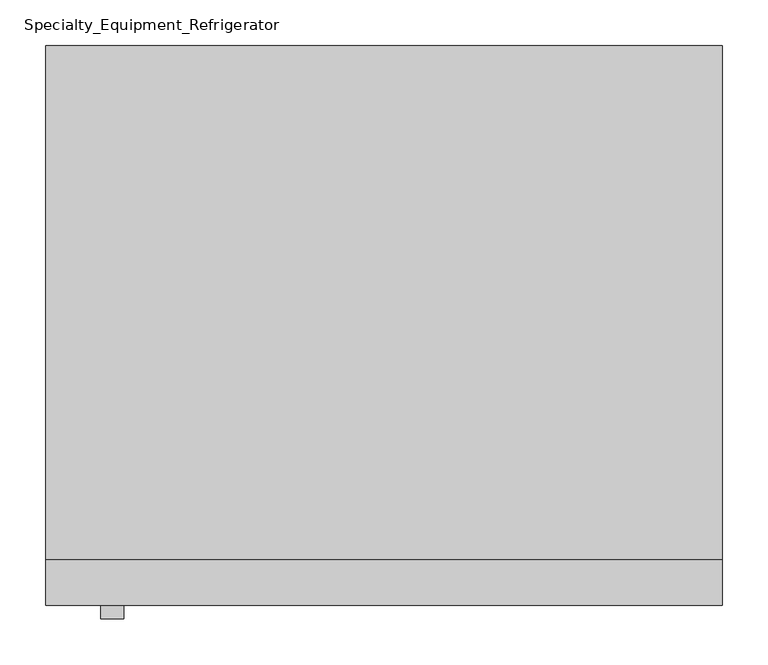
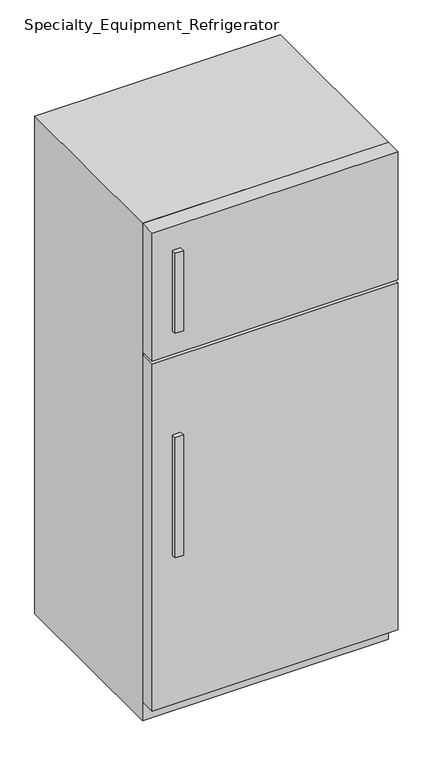
"""IFC4 building model written with IfcOpenShell, lengths in millimetres: proxy geometry, Specialty_Equipment_Refrigerator."""

from ifc_helpers import new_model, si_unit, frame, origin, origin_with_axes, place, context, project, spatial, polyline, outline, extrude, source, transform, mapped, element, save


def specialty_equipment_refrigerator_aa224931(model_context):
    return source(origin(), model_context, "Body", "SweptSolid", [
        extrude(outline(polyline([(736.6, 762.0), (736.6, 202.4), (0.0, 202.4), (0.0, 762.0), (736.6, 762.0)])), origin_with_axes(), (0.0, 0.0, 1.0), 1574.8),
        extrude(outline(polyline([(736.6, 152.4), (0.0, 152.4), (0.0, 202.4), (736.6, 202.4), (736.6, 152.4)])), frame((0.0, 0.0, 1168.8), z_axis=(0.0, 0.0, 1.0), x_axis=(1.0, 0.0, 0.0)), (0.0, 0.0, 1.0), 406.0),
        extrude(outline(polyline([(736.6, 152.4), (0.0, 152.4), (0.0, 202.4), (736.6, 202.4), (736.6, 152.4)])), frame((0.0, 0.0, 60.0), z_axis=(0.0, 0.0, 1.0), x_axis=(1.0, 0.0, 0.0)), (0.0, 0.0, 1.0), 1098.8),
        extrude(outline(polyline([(84.664069, 137.4), (60.0, 137.4), (60.0, 152.4), (84.664069, 152.4), (84.664069, 137.4)])), frame((0.0, 0.0, 1244.8), z_axis=(0.0, 0.0, 1.0), x_axis=(1.0, 0.0, 0.0)), (0.0, 0.0, 1.0), 254.0),
        extrude(outline(polyline([(84.664069, 137.4), (60.0, 137.4), (60.0, 152.4), (84.664069, 152.4), (84.664069, 137.4)])), frame((0.0, 0.0, 533.8), z_axis=(0.0, 0.0, 1.0), x_axis=(1.0, 0.0, 0.0)), (0.0, 0.0, 1.0), 381.0),
    ])


if __name__ == "__main__":
    model = new_model("IFC4")
    model_context = context("Model", 3, world=origin())
    ifc_project = project(units=[si_unit("LENGTHUNIT", "METRE", prefix="MILLI")], contexts=[model_context])
    site = spatial("IfcSite", under=ifc_project)
    building = spatial("IfcBuilding", under=site)
    placement = place(None, origin())
    specialty_equipment_refrigerator_shape = specialty_equipment_refrigerator_aa224931(model_context)
    element("IfcBuildingElementProxy", 1, Name="Specialty_Equipment_Refrigerator", ObjectType="Specialty_Equipment_Refrigerator", at=placement, inside=building, context=model_context, shape_type="MappedRepresentation", body=[
        mapped(specialty_equipment_refrigerator_shape, transform((0.0, 0.0, 0.0), x_axis=(1.0, 0.0, 0.0), y_axis=(0.0, 1.0, 0.0), z_axis=(0.0, 0.0, 1.0))),
    ])
    save(model, "model.ifc")
